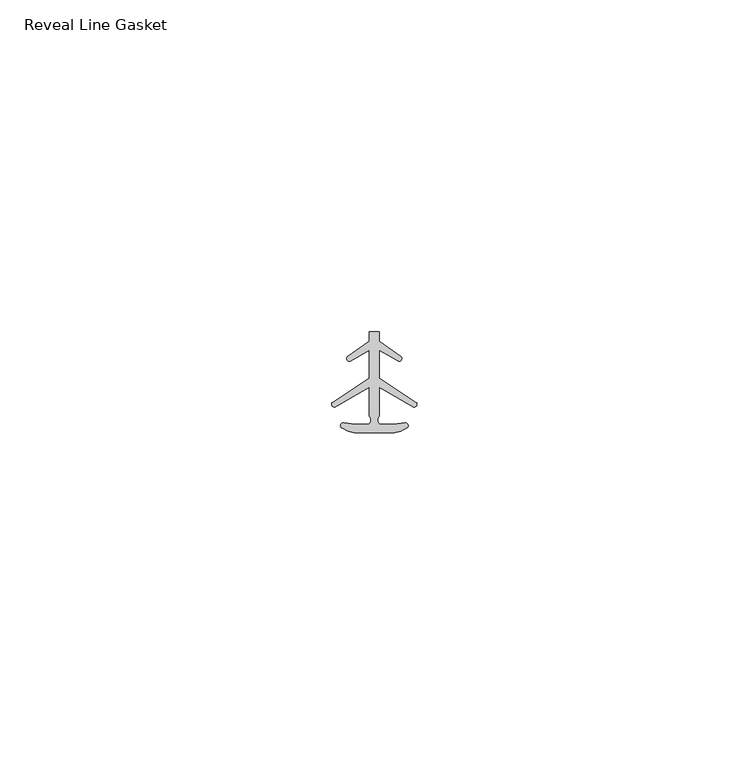
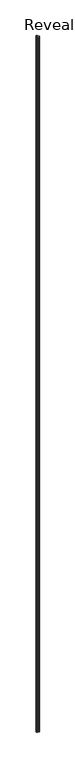
"""IFC4 building model written with IfcOpenShell, lengths in millimetres: proxy geometry, Reveal Line Gasket."""

from ifc_helpers import new_model, si_unit, point, frame, frame_2d, origin, place, context, project, spatial, polyline, circle_curve, trimmed, segment, composite_curve, outline, extrude, source, transform, mapped, element, save


def reveal_line_gasket_c3e78ba8(model_context):
    return source(origin(), model_context, "Body", "SweptSolid", [
        extrude(outline(composite_curve([segment(polyline([(2.999107, -7.6326998), (-3.000893, -7.6326998), (-3.9563857, -7.4091917), (-4.8893614, -6.8813059)]), True, "CONTINUOUS"), segment(trimmed(circle_curve(frame_2d((-4.6873723, -6.5243141)), 0.4101739), [point((-4.8893614, -6.8813059))], [point((-4.5950277, -6.1246704))], False, "CARTESIAN"), True, "CONTINUOUS"), segment(polyline([(-4.5950277, -6.1246704), (-2.8988015, -6.3626997), (-0.8663457, -6.3626997)]), True, "CONTINUOUS"), segment(trimmed(circle_curve(frame_2d((-1.2828188, -5.6959605)), 0.786124), [point((-0.8663457, -6.3626997))], [point((-0.778768, -5.0926996))], True, "CARTESIAN"), True, "CONTINUOUS"), segment(polyline([(-0.778768, -5.0926996), (-0.778768, -0.7492996), (-5.9404224, -3.7293824)]), True, "CONTINUOUS"), segment(trimmed(circle_curve(frame_2d((-6.0058691, -3.3132479)), 0.4212495), [point((-5.9404224, -3.7293824))], [point((-6.3335288, -3.0485022))], False, "CARTESIAN"), True, "CONTINUOUS"), segment(polyline([(-6.3335288, -3.0485022), (-0.778768, 0.5742594), (-0.778768, 4.8262978), (-3.6544226, 3.1660374)]), True, "CONTINUOUS"), segment(trimmed(circle_curve(frame_2d((-3.7127785, 3.5978728)), 0.4357605), [point((-3.6544226, 3.1660374))], [point((-4.0575811, 3.864328))], False, "CARTESIAN"), True, "CONTINUOUS"), segment(polyline([(-4.0575811, 3.864328), (-0.778768, 6.1944059), (-0.778768, 7.6326998), (0.7769821, 7.6326998), (0.7769821, 6.1944059), (4.0557951, 3.864328)]), True, "CONTINUOUS"), segment(trimmed(circle_curve(frame_2d((3.7109925, 3.5978728)), 0.4357605), [point((4.0557951, 3.864328))], [point((3.6526367, 3.1660374))], False, "CARTESIAN"), True, "CONTINUOUS"), segment(polyline([(3.6526367, 3.1660374), (0.7769821, 4.8262978), (0.7769821, 0.5742594), (6.3317429, -3.0485022)]), True, "CONTINUOUS"), segment(trimmed(circle_curve(frame_2d((6.0040832, -3.3132479)), 0.4212495), [point((6.3317429, -3.0485022))], [point((5.9386365, -3.7293824))], False, "CARTESIAN"), True, "CONTINUOUS"), segment(polyline([(5.9386365, -3.7293824), (0.7769821, -0.7492996), (0.7769821, -5.0926996)]), True, "CONTINUOUS"), segment(trimmed(circle_curve(frame_2d((1.2810328, -5.6959605)), 0.786124), [point((0.7769821, -5.0926996))], [point((0.8645598, -6.3626997))], True, "CARTESIAN"), True, "CONTINUOUS"), segment(polyline([(0.8645598, -6.3626997), (2.8970156, -6.3626997), (4.5932418, -6.1246704)]), True, "CONTINUOUS"), segment(trimmed(circle_curve(frame_2d((4.6855864, -6.5243141)), 0.4101739), [point((4.5932418, -6.1246704))], [point((4.8875754, -6.8813059))], False, "CARTESIAN"), True, "CONTINUOUS"), segment(polyline([(4.8875754, -6.8813059), (3.9545998, -7.4091917), (2.999107, -7.6326998)]), True, "CONTINUOUS")], self_intersect=False)), frame((0.0, 0.0, 84.836), z_axis=(0.0, 0.0, 1.0), x_axis=(1.0, 0.0, 0.0)), (0.0, 0.0, 1.0), 2955.3413731),
    ])


if __name__ == "__main__":
    model = new_model("IFC4")
    model_context = context("Model", 3, world=origin())
    ifc_project = project(units=[si_unit("LENGTHUNIT", "METRE", prefix="MILLI")], contexts=[model_context])
    site = spatial("IfcSite", under=ifc_project)
    building = spatial("IfcBuilding", under=site)
    placement = place(None, origin())
    reveal_line_gasket_shape = reveal_line_gasket_c3e78ba8(model_context)
    element("IfcBuildingElementProxy", 1, Name="Reveal Line Gasket", ObjectType="Reveal Line Gasket", at=placement, inside=building, context=model_context, shape_type="MappedRepresentation", body=[
        mapped(reveal_line_gasket_shape, transform((0.0, 0.0, 0.0), x_axis=(1.0, 0.0, 0.0), y_axis=(0.0, 1.0, 0.0), z_axis=(0.0, 0.0, 1.0))),
    ])
    save(model, "model.ifc")
